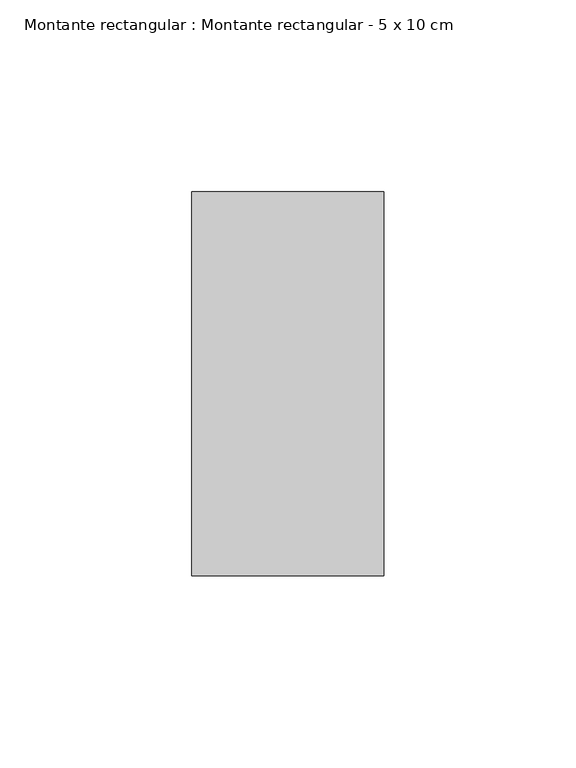
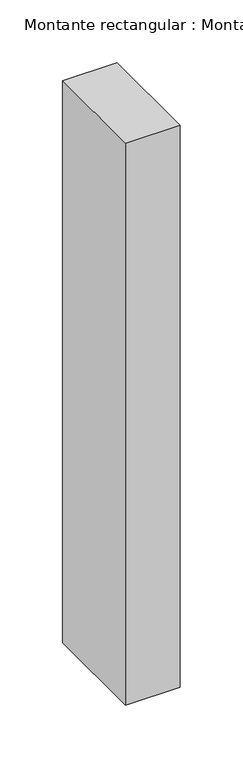
"""IFC4 building model written with IfcOpenShell, lengths in millimetres: member geometry, Montante rectangular : Montante rectangular - 5 x 10 cm."""

from ifc_helpers import new_model, si_unit, frame, origin, place, context, project, spatial, polyline, outline, extrude, source, transform, mapped, element, save


def montante_rectangular_montante_rectangular_5_x_10_cm_377976c6(model_context):
    return source(origin(), model_context, "Body", "SweptSolid", [
        extrude(outline(polyline([(-50.0, 50.0), (0.0, 50.0), (0.0, -50.0), (-50.0, -50.0), (-50.0, 50.0)])), frame((0.0, 0.0, -545.0), z_axis=(0.0, 0.0, 1.0), x_axis=(1.0, 0.0, 0.0)), (0.0, 0.0, 1.0), 545.0),
    ])


if __name__ == "__main__":
    model = new_model("IFC4")
    model_context = context("Model", 3, world=origin())
    ifc_project = project(units=[si_unit("LENGTHUNIT", "METRE", prefix="MILLI")], contexts=[model_context])
    site = spatial("IfcSite", under=ifc_project)
    building = spatial("IfcBuilding", under=site)
    placement = place(None, origin())
    montante_rectangular_montante_rectangular_5_x_10_cm_shape = montante_rectangular_montante_rectangular_5_x_10_cm_377976c6(model_context)
    element("IfcMember", 1, ObjectType="Montante rectangular : Montante rectangular - 5 x 10 cm", at=placement, inside=building, context=model_context, shape_type="MappedRepresentation", body=[
        mapped(montante_rectangular_montante_rectangular_5_x_10_cm_shape, transform((0.0, 0.0, 0.0), x_axis=(1.0, 0.0, 0.0), y_axis=(0.0, 1.0, 0.0), z_axis=(0.0, 0.0, 1.0))),
    ])
    save(model, "model.ifc")
